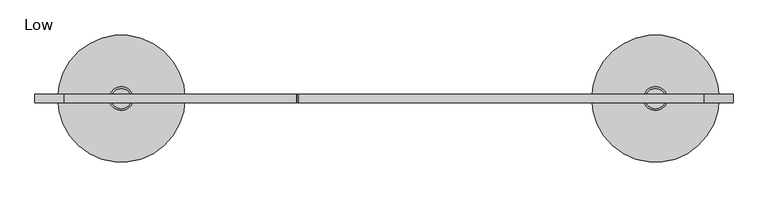
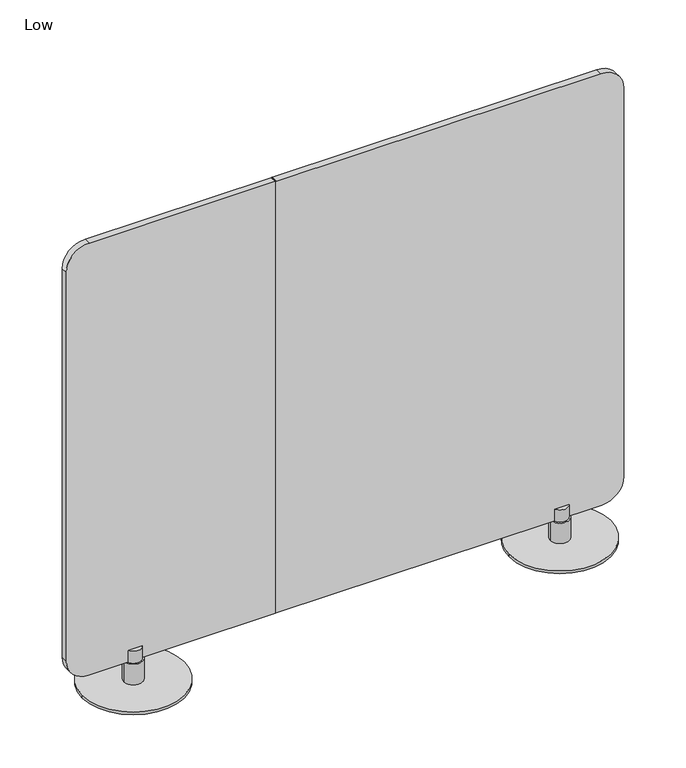
"""IFC4 building model written with IfcOpenShell, lengths in millimetres: furniture geometry, Low."""

import ifcopenshell
import ifcopenshell.guid

model = None  # the IFC model being written
_history = None  # IfcOwnerHistory: only IFC2X3 demands one
_inside = {}  # id of a spatial element -> (the spatial element, [elements in it])
_under = {}  # id of a project, library or spatial element -> (it, [spatial elements below it])
_declared = {}  # id of a project -> (the project, [libraries it declares])
_typed = {}  # id of a type object -> (the type object, [elements of that type])
_made_of = {}  # id of a material, layer set ... -> (it, [elements and type objects made of it])


def new_model(schema):
    """Start an empty IFC model of exactly this schema.

    Asked for "IFC4X3", IfcOpenShell would pick the latest addendum, in which some entities
    have other attributes; the version numbers below select the first issue.
    IFC2X3 requires an IfcOwnerHistory on every rooted entity: one is made here for all.
    """
    global model, _history
    if schema == "IFC4X3":
        model = ifcopenshell.file(schema_version=(4, 3, 0, 0))
    else:
        model = ifcopenshell.file(schema=schema)
    _inside.clear()
    _under.clear()
    _declared.clear()
    _typed.clear()
    _made_of.clear()
    _history = None
    if model.schema == "IFC2X3":
        org = make("IfcOrganization", Name="unknown")
        user = make(
            "IfcPersonAndOrganization",
            ThePerson=make("IfcPerson", FamilyName="unknown"),
            TheOrganization=org,
        )
        app = make(
            "IfcApplication",
            ApplicationDeveloper=org,
            Version="unknown",
            ApplicationFullName="unknown",
            ApplicationIdentifier="unknown",
        )
        _history = make(
            "IfcOwnerHistory",
            OwningUser=user,
            OwningApplication=app,
            ChangeAction="ADDED",
            CreationDate=0,
        )
    return model


def make(cls, **values):
    """One entity of the class cls with the attributes given. An attribute that is None is left unset."""
    return model.create_entity(
        cls, **{name: value for name, value in values.items() if value is not None}
    )


def rooted(cls, **values):
    """An entity with a GlobalId (a new one), such as an element, a storey or a relation."""
    return make(cls, GlobalId=ifcopenshell.guid.new(), OwnerHistory=_history, **values)


def si_unit(unit_type, name, prefix=None):
    """IfcSIUnit, for example si_unit("LENGTHUNIT", "METRE", prefix="MILLI")."""
    return make("IfcSIUnit", UnitType=unit_type, Prefix=prefix, Name=name)


def assignment(units):
    """IfcUnitAssignment: the units of a project."""
    return None if units is None else make("IfcUnitAssignment", Units=units)


def point(xyz):
    """IfcCartesianPoint."""
    return None if xyz is None else make("IfcCartesianPoint", Coordinates=xyz)


def direction(xyz):
    """IfcDirection."""
    return None if xyz is None else make("IfcDirection", DirectionRatios=xyz)


def frame(location, z_axis=None, x_axis=None):
    """IfcAxis2Placement3D, a coordinate frame: its origin and axes. An axis left out is left unset."""
    return make(
        "IfcAxis2Placement3D",
        Location=point(location),
        Axis=direction(z_axis),
        RefDirection=direction(x_axis),
    )


def frame_2d(location, x_axis=None):
    """IfcAxis2Placement2D, a coordinate frame in the plane: its origin and x axis."""
    return make(
        "IfcAxis2Placement2D", Location=point(location), RefDirection=direction(x_axis)
    )


def origin():
    """The frame at (0, 0, 0) with its axes left unset."""
    return frame((0.0, 0.0, 0.0))


def origin_with_axes():
    """The frame at (0, 0, 0) with the z axis (0, 0, 1) and the x axis (1, 0, 0) written out."""
    return frame((0.0, 0.0, 0.0), z_axis=(0.0, 0.0, 1.0), x_axis=(1.0, 0.0, 0.0))


def place(relative_to, where):
    """IfcLocalPlacement: puts the frame where relative to a parent placement (None: the world)."""
    return make(
        "IfcLocalPlacement", PlacementRelTo=relative_to, RelativePlacement=where
    )


def context(
    kind, dimensions, precision=None, world=None, true_north=None, identifier=None
):
    """IfcGeometricRepresentationContext, for example the 3D "Model" context."""
    return make(
        "IfcGeometricRepresentationContext",
        ContextIdentifier=identifier,
        ContextType=kind,
        CoordinateSpaceDimension=dimensions,
        Precision=precision,
        WorldCoordinateSystem=world,
        TrueNorth=true_north,
    )


def project(units=None, contexts=None):
    """IfcProject with its units and contexts."""
    return rooted(
        "IfcProject",
        Name="project",
        RepresentationContexts=contexts,
        UnitsInContext=assignment(units),
    )


def spatial(cls, under=None, at=None, **own):
    """A site, building, storey or space (cls), placed at a placement, below another one or the project."""
    s = rooted(cls, ObjectPlacement=at, **own)
    if under is not None:
        _under.setdefault(under.id(), (under, []))[1].append(s)
    return s


def polyline(points):
    """IfcPolyline through the points."""
    return make("IfcPolyline", Points=[point(p) for p in points])


def circle_curve(where, radius):
    """IfcCircle in the frame where."""
    return make("IfcCircle", Position=where, Radius=radius)


def trimmed(basis, trim1, trim2, sense, master):
    """IfcTrimmedCurve: the piece of a basis curve between two trims."""
    return make(
        "IfcTrimmedCurve",
        BasisCurve=basis,
        Trim1=trim1,
        Trim2=trim2,
        SenseAgreement=sense,
        MasterRepresentation=master,
    )


def segment(curve, same_sense, transition):
    """IfcCompositeCurveSegment."""
    return make(
        "IfcCompositeCurveSegment",
        Transition=transition,
        SameSense=same_sense,
        ParentCurve=curve,
    )


def composite_curve(segments, self_intersect=None):
    """IfcCompositeCurve: segments joined end to end."""
    return make("IfcCompositeCurve", Segments=segments, SelfIntersect=self_intersect)


def outline(outer, holes=None, kind="AREA"):
    """IfcArbitraryClosedProfileDef: a profile drawn as a closed curve; with holes, ...WithVoids."""
    if holes is None:
        return make("IfcArbitraryClosedProfileDef", ProfileType=kind, OuterCurve=outer)
    return make(
        "IfcArbitraryProfileDefWithVoids",
        ProfileType=kind,
        OuterCurve=outer,
        InnerCurves=holes,
    )


def extrude(swept, where, along, depth):
    """IfcExtrudedAreaSolid: the profile swept, set in the frame where, extruded along a direction by depth."""
    return make(
        "IfcExtrudedAreaSolid",
        SweptArea=swept,
        Position=where,
        ExtrudedDirection=direction(along),
        Depth=depth,
    )


def shape(context_of_items, identifier, shape_type, items):
    """IfcShapeRepresentation: the items that make up one representation, for example the "Body"."""
    return make(
        "IfcShapeRepresentation",
        ContextOfItems=context_of_items,
        RepresentationIdentifier=identifier,
        RepresentationType=shape_type,
        Items=items,
    )


def source(mapping_origin, context_of_items, identifier, shape_type, items):
    """IfcRepresentationMap: a shape defined once, which mapped items show again and again."""
    return make(
        "IfcRepresentationMap",
        MappingOrigin=mapping_origin,
        MappedRepresentation=shape(context_of_items, identifier, shape_type, items),
    )


def transform(
    local_origin,
    x_axis=None,
    y_axis=None,
    z_axis=None,
    scale=None,
    scale2=None,
    scale3=None,
    uniform=True,
):
    """IfcCartesianTransformationOperator3D, or its non-uniform kind. x_axis, y_axis, z_axis: its Axis1, 2, 3."""
    if uniform:
        return make(
            "IfcCartesianTransformationOperator3D",
            Axis1=direction(x_axis),
            Axis2=direction(y_axis),
            LocalOrigin=point(local_origin),
            Scale=scale,
            Axis3=direction(z_axis),
        )
    return make(
        "IfcCartesianTransformationOperator3DnonUniform",
        Axis1=direction(x_axis),
        Axis2=direction(y_axis),
        LocalOrigin=point(local_origin),
        Scale=scale,
        Axis3=direction(z_axis),
        Scale2=scale2,
        Scale3=scale3,
    )


def mapped(mapping_source, mapping_target):
    """IfcMappedItem: shows the shape of a source again, moved by a transform."""
    return make(
        "IfcMappedItem", MappingSource=mapping_source, MappingTarget=mapping_target
    )


def made_of(thing, what):
    """Note that an element or type object is made of a material, layer set ...; save() writes the relation."""
    if what is not None:
        _made_of.setdefault(what.id(), (what, []))[1].append(thing)
    return thing


def element(
    cls,
    number,
    at=None,
    inside=None,
    cuts=None,
    type_object=None,
    material=None,
    context=None,
    identifier="Body",
    shape_type=None,
    held_by="IfcProductDefinitionShape",
    body=None,
    shapes=None,
    **own,
):
    """One element of the class cls, such as IfcWall. Its Tag is "e" and its number.

    at: its placement. inside: the storey or other place that contains it. cuts: it is an
    opening in that element (IfcRelVoidsElement). A single representation is given by context,
    identifier, shape_type and body (its items); several are given by shapes. held_by: the class
    of the entity that holds the representations. save() writes the other relations.
    """
    e = rooted(cls, Tag="e%d" % number, ObjectPlacement=at, **own)
    if body is not None:
        shapes = [shape(context, identifier, shape_type, body)]
    if shapes is not None:
        e.Representation = make(held_by, Representations=shapes)
    if inside is not None:
        _inside.setdefault(inside.id(), (inside, []))[1].append(e)
    if cuts is not None:
        rooted(
            "IfcRelVoidsElement", RelatingBuildingElement=cuts, RelatedOpeningElement=e
        )
    if type_object is not None:
        _typed.setdefault(type_object.id(), (type_object, []))[1].append(e)
    return made_of(e, material)


def aggregate(whole, parts):
    """IfcRelAggregates: a whole, such as a stair, and the parts it consists of."""
    return rooted("IfcRelAggregates", RelatingObject=whole, RelatedObjects=parts)


def save(model, path):
    """Write the relations noted so far, then the file.

    IfcRelAggregates (storeys below a building ...), IfcRelContainedInSpatialStructure (elements
    in a storey), IfcRelDefinesByType, IfcRelAssociatesMaterial and IfcRelDeclares: one each for
    every whole, place, type object, material and project.
    """
    for whole, parts in _under.values():
        aggregate(whole, parts)
    for where, things in _inside.values():
        rooted(
            "IfcRelContainedInSpatialStructure",
            RelatedElements=things,
            RelatingStructure=where,
        )
    for kind, things in _typed.values():
        rooted("IfcRelDefinesByType", RelatedObjects=things, RelatingType=kind)
    for what, things in _made_of.values():
        rooted("IfcRelAssociatesMaterial", RelatedObjects=things, RelatingMaterial=what)
    for by, libraries in _declared.values():
        rooted("IfcRelDeclares", RelatingContext=by, RelatedDefinitions=libraries)
    model.write(path)


def plane_surface(at):
    """IfcPlane: the flat surface through the origin of the frame at, square to its z axis."""
    return make("IfcPlane", Position=at)


def cylinder_surface(at, radius):
    """IfcCylindricalSurface: all points at the distance radius from the z axis of the frame at."""
    return make("IfcCylindricalSurface", Position=at, Radius=radius)


def advanced_brep(points, edges, surfaces, faces):
    """IfcAdvancedBrep: a solid bounded by faces that lie on surfaces and meet in shared edges.

    An edge is (start, end): straight between two places in points (the first is 0);
    or (start, end, curve); or (start, end, curve, False) where it runs against its curve.
    A face is (place in surfaces, loops), or (place, loops, False) where it looks against
    its surface's normal. A loop lists edges by number (the first is 1), with a minus sign
    where the edge is run from its end to its start. The first loop is the outer one.
    """
    corners = [point(p) for p in points]
    vertices = [make("IfcVertexPoint", VertexGeometry=c) for c in corners]
    made = []
    for start, end, *more in edges:
        made.append(
            make(
                "IfcEdgeCurve",
                EdgeStart=vertices[start],
                EdgeEnd=vertices[end],
                EdgeGeometry=more[0] if more else make("IfcPolyline", Points=[corners[start], corners[end]]),
                SameSense=more[1] if len(more) > 1 else True,
            )
        )
    hull = []
    for where, loops, *sense in faces:
        bounds = []
        for j, loop in enumerate(loops):
            ring = [make("IfcOrientedEdge", EdgeElement=made[abs(k) - 1], Orientation=k > 0) for k in loop]
            bounds.append(
                make(
                    "IfcFaceOuterBound" if j == 0 else "IfcFaceBound",
                    Bound=make("IfcEdgeLoop", EdgeList=ring),
                    Orientation=True,
                )
            )
        hull.append(make("IfcAdvancedFace", Bounds=bounds, FaceSurface=surfaces[where], SameSense=sense[0] if sense else True))
    return make("IfcAdvancedBrep", Outer=make("IfcClosedShell", CfsFaces=hull))


def low_2566cc5c(model_context):
    return source(origin(), model_context, "Body", "SolidModel", [
        extrude(outline(composite_curve([segment(polyline([(1328.0169044, 1474.4969652), (1328.0169044, 579.7254895)]), True, "CONTINUOUS"), segment(trimmed(circle_curve(frame_2d((1326.2798031, 579.7254895)), 1.7371014), [point((1328.0169044, 579.7254895))], [point((1326.2798031, 577.9883882))], False, "CARTESIAN"), True, "CONTINUOUS"), segment(polyline([(1326.2798031, 577.9883882), (70.7445512, 577.9883882)]), True, "CONTINUOUS"), segment(trimmed(circle_curve(frame_2d((70.7445512, 579.7134195)), 1.7250314), [point((70.7445512, 577.9883882))], [point((69.0195199, 579.7134195))], False, "CARTESIAN"), True, "CONTINUOUS"), segment(polyline([(69.0195199, 579.7134195), (69.0195199, 1476.5689631)]), True, "CONTINUOUS"), segment(trimmed(circle_curve(frame_2d((130.447522, 1476.5689631)), 61.4280021), [point((69.0195199, 1476.5689631))], [point((130.447522, 1537.9969652))], False, "CARTESIAN"), True, "CONTINUOUS"), segment(polyline([(130.447522, 1537.9969652), (1264.5169044, 1537.9969652)]), True, "CONTINUOUS"), segment(trimmed(circle_curve(frame_2d((1264.5169044, 1474.4969652)), 63.5), [point((1264.5169044, 1537.9969652))], [point((1328.0169044, 1474.4969652))], False, "CARTESIAN"), True, "CONTINUOUS")], self_intersect=False)), frame((0.0, -18.9253064, 0.0), z_axis=(0.0, 1.0, 0.0), x_axis=(0.0, 0.0, 1.0)), (0.0, 0.0, 1.0), 18.9253064),
        extrude(outline(composite_curve([segment(trimmed(circle_curve(frame_2d((1264.5169044, 63.5)), 63.5), [point((1328.0169044, 63.5))], [point((1264.5169044, 0.0))], False, "CARTESIAN"), True, "CONTINUOUS"), segment(polyline([(1264.5169044, 0.0), (130.447522, 0.0)]), True, "CONTINUOUS"), segment(trimmed(circle_curve(frame_2d((130.447522, 61.4280021)), 61.4280021), [point((130.447522, 0.0))], [point((69.0195199, 61.4280021))], False, "CARTESIAN"), True, "CONTINUOUS"), segment(polyline([(69.0195199, 61.4280021), (69.0195199, 576.2633568)]), True, "CONTINUOUS"), segment(trimmed(circle_curve(frame_2d((70.7445512, 576.2633568)), 1.7250314), [point((69.0195199, 576.2633568))], [point((70.7445512, 577.9883882))], False, "CARTESIAN"), True, "CONTINUOUS"), segment(polyline([(70.7445512, 577.9883882), (1326.2798031, 577.9883882)]), True, "CONTINUOUS"), segment(trimmed(circle_curve(frame_2d((1326.2798031, 576.2512868)), 1.7371014), [point((1326.2798031, 577.9883882))], [point((1328.0169044, 576.2512868))], False, "CARTESIAN"), True, "CONTINUOUS"), segment(polyline([(1328.0169044, 576.2512868), (1328.0169044, 63.5)]), True, "CONTINUOUS")], self_intersect=False)), frame((0.0, -18.9253064, 0.0), z_axis=(0.0, 1.0, 0.0), x_axis=(0.0, 0.0, 1.0)), (0.0, 0.0, 1.0), 18.9253064),
        advanced_brep(
        [(1340.6543457, -9.525, 7.8711858), (1393.1742514, -9.525, 7.8711858), (1366.9142985, -9.525, 7.8711858), (1340.6543457, -9.525, 67.5072456), (1393.1742514, -9.525, 67.5072456), (1344.735149, -9.525, 67.5072456), (1389.0934481, -9.525, 67.5072456), (1344.735149, -9.525, 102.8741713), (1389.0934481, -9.525, 102.8741713), (1366.9142985, -9.525, 102.8741713)],
        [
            (0, 1, circle_curve(frame((1366.9142985, -9.525, 7.8711858), z_axis=(0.0, 0.0, -1.0), x_axis=(1.0, 0.0, 0.0)), 26.2599528)),
            (1, 2),
            (2, 0),
            (1, 0, circle_curve(frame((1366.9142985, -9.525, 7.8711858), z_axis=(0.0, 0.0, -1.0), x_axis=(1.0, 0.0, 0.0)), 26.2599528)),
            (3, 4, circle_curve(frame((1366.9142985, -9.525, 67.5072456), z_axis=(0.0, 0.0, -1.0), x_axis=(1.0, 0.0, 0.0)), 26.2599528)),
            (4, 1),
            (0, 3),
            (4, 3, circle_curve(frame((1366.9142985, -9.525, 67.5072456), z_axis=(0.0, 0.0, -1.0), x_axis=(1.0, 0.0, 0.0)), 26.2599528)),
            (5, 6, circle_curve(frame((1366.9142985, -9.525, 67.5072456), z_axis=(0.0, 0.0, -1.0), x_axis=(1.0, 0.0, 0.0)), 22.1791496)),
            (6, 4),
            (3, 5),
            (6, 5, circle_curve(frame((1366.9142985, -9.525, 67.5072456), z_axis=(0.0, 0.0, -1.0), x_axis=(1.0, 0.0, 0.0)), 22.1791496)),
            (7, 8, circle_curve(frame((1366.9142985, -9.525, 102.8741713), z_axis=(0.0, 0.0, -1.0), x_axis=(1.0, 0.0, 0.0)), 22.1791496)),
            (8, 6),
            (5, 7),
            (8, 7, circle_curve(frame((1366.9142985, -9.525, 102.8741713), z_axis=(0.0, 0.0, -1.0), x_axis=(1.0, 0.0, 0.0)), 22.1791496)),
            (9, 8),
            (7, 9),
        ],
        [
            plane_surface(frame((1366.9142985, -9.525, 7.8711858), z_axis=(0.0, 0.0, -1.0), x_axis=(1.0, 0.0, 0.0))),
            cylinder_surface(frame((1366.9142985, -9.525, 102.8741713), z_axis=(0.0, 0.0, 1.0), x_axis=(1.0, 0.0, 0.0)), 26.2599528),
            plane_surface(frame((1366.9142985, -9.525, 67.5072456), z_axis=(0.0, 0.0, 1.0), x_axis=(1.0, 0.0, 0.0))),
            cylinder_surface(frame((1366.9142985, -9.525, 102.8741713), z_axis=(0.0, 0.0, 1.0), x_axis=(1.0, 0.0, 0.0)), 22.1791496),
            plane_surface(frame((1366.9142985, -9.525, 102.8741713), z_axis=(0.0, 0.0, 1.0), x_axis=(1.0, 0.0, 0.0))),
        ],
        [
            (0, [[1, 2, 3]]),
            (0, [[4, -3, -2]]),
            (1, [[5, 6, -1, 7]]),
            (1, [[8, -7, -4, -6]]),
            (2, [[9, 10, -5, 11]]),
            (2, [[12, -11, -8, -10]]),
            (3, [[13, 14, -9, 15]]),
            (3, [[16, -15, -12, -14]]),
            (4, [[17, -13, 18]]),
            (4, [[-18, -16, -17]]),
        ],
    ),
        advanced_brep(
        [(164.0941615, -9.525, 7.8711858), (216.6140672, -9.525, 7.8711858), (190.3541143, -9.525, 7.8711858), (164.0941615, -9.525, 67.5072456), (216.6140672, -9.525, 67.5072456), (168.1749648, -9.525, 67.5072456), (212.5332639, -9.525, 67.5072456), (168.1749648, -9.525, 102.8741713), (212.5332639, -9.525, 102.8741713), (190.3541143, -9.525, 102.8741713)],
        [
            (0, 1, circle_curve(frame((190.3541143, -9.525, 7.8711858), z_axis=(0.0, 0.0, -1.0), x_axis=(1.0, 0.0, 0.0)), 26.2599528)),
            (1, 2),
            (2, 0),
            (1, 0, circle_curve(frame((190.3541143, -9.525, 7.8711858), z_axis=(0.0, 0.0, -1.0), x_axis=(1.0, 0.0, 0.0)), 26.2599528)),
            (3, 4, circle_curve(frame((190.3541143, -9.525, 67.5072456), z_axis=(0.0, 0.0, -1.0), x_axis=(1.0, 0.0, 0.0)), 26.2599528)),
            (4, 1),
            (0, 3),
            (4, 3, circle_curve(frame((190.3541143, -9.525, 67.5072456), z_axis=(0.0, 0.0, -1.0), x_axis=(1.0, 0.0, 0.0)), 26.2599528)),
            (5, 6, circle_curve(frame((190.3541143, -9.525, 67.5072456), z_axis=(0.0, 0.0, -1.0), x_axis=(1.0, 0.0, 0.0)), 22.1791496)),
            (6, 4),
            (3, 5),
            (6, 5, circle_curve(frame((190.3541143, -9.525, 67.5072456), z_axis=(0.0, 0.0, -1.0), x_axis=(1.0, 0.0, 0.0)), 22.1791496)),
            (7, 8, circle_curve(frame((190.3541143, -9.525, 102.8741713), z_axis=(0.0, 0.0, -1.0), x_axis=(1.0, 0.0, 0.0)), 22.1791496)),
            (8, 6),
            (5, 7),
            (8, 7, circle_curve(frame((190.3541143, -9.525, 102.8741713), z_axis=(0.0, 0.0, -1.0), x_axis=(1.0, 0.0, 0.0)), 22.1791496)),
            (9, 8),
            (7, 9),
        ],
        [
            plane_surface(frame((190.3541143, -9.525, 7.8711858), z_axis=(0.0, 0.0, -1.0), x_axis=(1.0, 0.0, 0.0))),
            cylinder_surface(frame((190.3541143, -9.525, 102.8741713), z_axis=(0.0, 0.0, 1.0), x_axis=(1.0, 0.0, 0.0)), 26.2599528),
            plane_surface(frame((190.3541143, -9.525, 67.5072456), z_axis=(0.0, 0.0, 1.0), x_axis=(1.0, 0.0, 0.0))),
            cylinder_surface(frame((190.3541143, -9.525, 102.8741713), z_axis=(0.0, 0.0, 1.0), x_axis=(1.0, 0.0, 0.0)), 22.1791496),
            plane_surface(frame((190.3541143, -9.525, 102.8741713), z_axis=(0.0, 0.0, 1.0), x_axis=(1.0, 0.0, 0.0))),
        ],
        [
            (0, [[1, 2, 3]]),
            (0, [[4, -3, -2]]),
            (1, [[5, 6, -1, 7]]),
            (1, [[8, -7, -4, -6]]),
            (2, [[9, 10, -5, 11]]),
            (2, [[12, -11, -8, -10]]),
            (3, [[13, 14, -9, 15]]),
            (3, [[16, -15, -12, -14]]),
            (4, [[17, -13, 18]]),
            (4, [[-18, -16, -17]]),
        ],
    ),
        extrude(outline(composite_curve([segment(trimmed(circle_curve(frame_2d((190.3541148, -9.4631709)), 140.0478322), [point((50.3062826, -9.4631709))], [point((330.4019471, -9.4631709))], False, "CARTESIAN"), True, "CONTINUOUS"), segment(trimmed(circle_curve(frame_2d((190.3541148, -9.4631709)), 140.0478322), [point((330.4019471, -9.4631709))], [point((50.3062826, -9.4631709))], False, "CARTESIAN"), True, "CONTINUOUS")], self_intersect=False)), origin_with_axes(), (0.0, 0.0, 1.0), 7.8711858),
        extrude(outline(composite_curve([segment(trimmed(circle_curve(frame_2d((1366.9142966, -9.4631709)), 140.0478322), [point((1226.8664643, -9.4631709))], [point((1506.9621288, -9.4631709))], False, "CARTESIAN"), True, "CONTINUOUS"), segment(trimmed(circle_curve(frame_2d((1366.9142966, -9.4631709)), 140.0478322), [point((1506.9621288, -9.4631709))], [point((1226.8664643, -9.4631709))], False, "CARTESIAN"), True, "CONTINUOUS")], self_intersect=False)), origin_with_axes(), (0.0, 0.0, 1.0), 7.8711858),
    ])


if __name__ == "__main__":
    model = new_model("IFC4")
    model_context = context("Model", 3, world=origin())
    ifc_project = project(units=[si_unit("LENGTHUNIT", "METRE", prefix="MILLI")], contexts=[model_context])
    site = spatial("IfcSite", under=ifc_project)
    building = spatial("IfcBuilding", under=site)
    placement = place(None, origin())
    low_shape = low_2566cc5c(model_context)
    element("IfcFurniture", 1, ObjectType="Low", at=placement, inside=building, context=model_context, shape_type="MappedRepresentation", body=[
        mapped(low_shape, transform((0.0, 0.0, 0.0), x_axis=(1.0, 0.0, 0.0), y_axis=(0.0, 1.0, 0.0), z_axis=(0.0, 0.0, 1.0))),
    ])
    save(model, "model.ifc")
